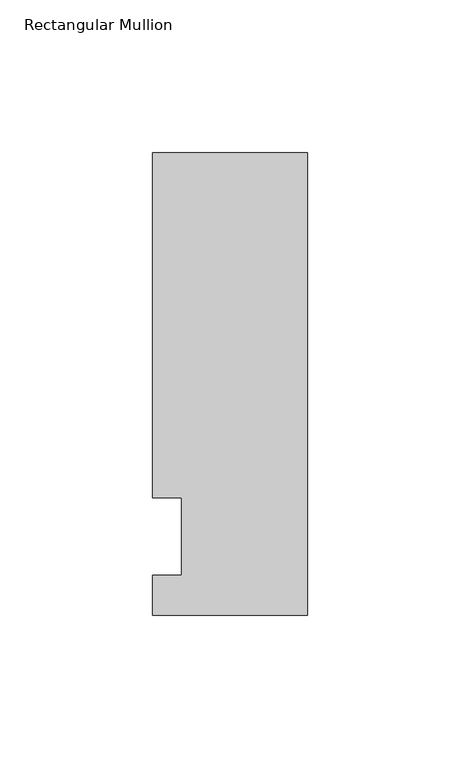
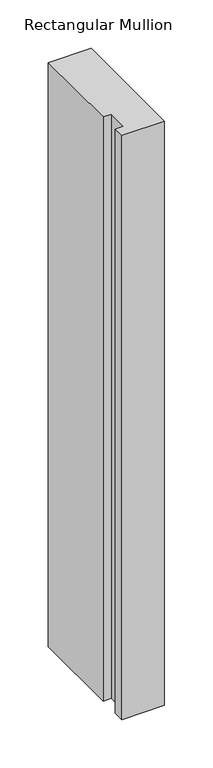
"""IFC4 building model written with IfcOpenShell, lengths in millimetres: member geometry, Rectangular Mullion."""

from ifc_helpers import new_model, si_unit, frame, origin, place, context, project, spatial, polyline, outline, extrude, source, transform, mapped, element, save


def rectangular_mullion_6dc08d13(model_context):
    return source(origin(), model_context, "Body", "SweptSolid", [
        extrude(outline(polyline([(-50.8, -25.7961253), (-50.8, -12.7), (-41.275, -12.7), (-41.275, 12.7), (-50.8, 12.7), (-50.8, 125.8036906), (0.0, 125.8036906), (0.0, -25.7961253), (-50.8, -25.7961253)])), frame((0.0, 0.0, -736.6), z_axis=(0.0, 0.0, 1.0), x_axis=(1.0, 0.0, 0.0)), (0.0, 0.0, 1.0), 736.6),
    ])


if __name__ == "__main__":
    model = new_model("IFC4")
    model_context = context("Model", 3, world=origin())
    ifc_project = project(units=[si_unit("LENGTHUNIT", "METRE", prefix="MILLI")], contexts=[model_context])
    site = spatial("IfcSite", under=ifc_project)
    building = spatial("IfcBuilding", under=site)
    placement = place(None, origin())
    rectangular_mullion_shape = rectangular_mullion_6dc08d13(model_context)
    element("IfcMember", 1, ObjectType="Rectangular Mullion", at=placement, inside=building, context=model_context, shape_type="MappedRepresentation", body=[
        mapped(rectangular_mullion_shape, transform((0.0, 0.0, 0.0), x_axis=(1.0, 0.0, 0.0), y_axis=(0.0, 1.0, 0.0), z_axis=(0.0, 0.0, 1.0))),
    ])
    save(model, "model.ifc")
